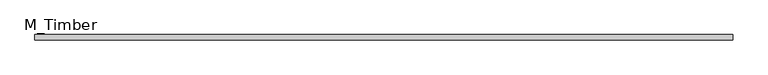
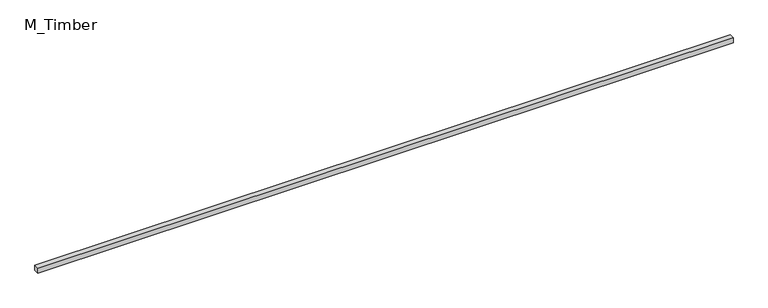
"""IFC4 building model written with IfcOpenShell, lengths in millimetres: beam geometry, M_Timber."""

from ifc_helpers import new_model, si_unit, frame, origin, place, context, project, spatial, polyline, outline, extrude, source, transform, mapped, element, save


def m_timber_49c31cd4(model_context):
    return source(origin(), model_context, "Body", "SweptSolid", [
        extrude(outline(polyline([(2674.5125867, 20.0), (2674.5125867, -20.0), (-2674.5125867, -20.0), (-2674.5125867, 20.0), (2674.5125867, 20.0)])), frame((0.0, 0.0, -20.0), z_axis=(0.0, 0.0, 1.0), x_axis=(1.0, 0.0, 0.0)), (0.0, 0.0, 1.0), 40.0),
    ])


if __name__ == "__main__":
    model = new_model("IFC4")
    model_context = context("Model", 3, world=origin())
    ifc_project = project(units=[si_unit("LENGTHUNIT", "METRE", prefix="MILLI")], contexts=[model_context])
    site = spatial("IfcSite", under=ifc_project)
    building = spatial("IfcBuilding", under=site)
    placement = place(None, origin())
    m_timber_shape = m_timber_49c31cd4(model_context)
    element("IfcBeam", 1, ObjectType="M_Timber", at=placement, inside=building, context=model_context, shape_type="MappedRepresentation", body=[
        mapped(m_timber_shape, transform((0.0, 0.0, 0.0), x_axis=(1.0, 0.0, 0.0), y_axis=(0.0, 1.0, 0.0), z_axis=(0.0, 0.0, 1.0))),
    ])
    save(model, "model.ifc")
